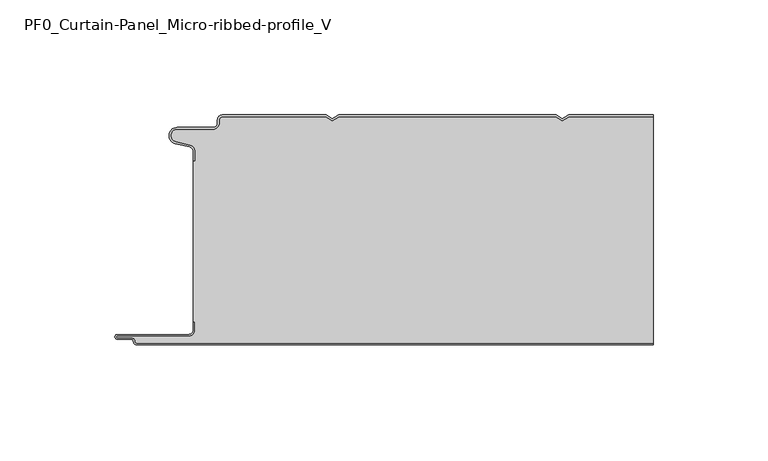
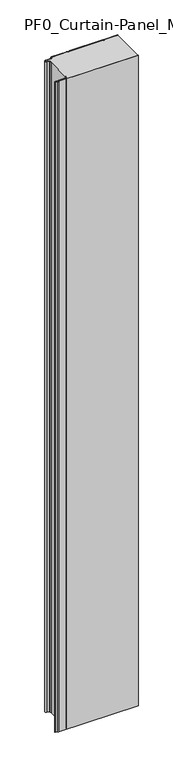
"""IFC4 building model written with IfcOpenShell, lengths in millimetres: plate geometry, PF0_Curtain-Panel_Micro-ribbed-profile_V."""

from ifc_helpers import new_model, si_unit, point, frame_2d, origin, origin_with_axes, place, context, project, spatial, polyline, circle_curve, trimmed, segment, composite_curve, outline, extrude, source, transform, mapped, element, save


def pf0_curtain_panel_micro_ribbed_profile_v_a883578a(model_context):
    return source(origin(), model_context, "Body", "SweptSolid", [
        extrude(outline(composite_curve([segment(trimmed(circle_curve(frame_2d((-102.0119739, -15.878557)), 2.0), [point((-100.0119739, -15.878557))], [point((-101.5620718, -13.9298169))], True, "CARTESIAN"), True, "CONTINUOUS"), segment(polyline([(-101.5620718, -13.9298169), (-107.7217978, -12.507732)]), True, "CONTINUOUS"), segment(trimmed(circle_curve(frame_2d((-106.9119739, -9.0)), 3.6), [point((-107.7217978, -12.507732))], [point((-106.9119739, -5.4))], False, "CARTESIAN"), True, "CONTINUOUS"), segment(polyline([(-106.9119739, -5.4), (-91.4119739, -5.4)]), True, "CONTINUOUS"), segment(trimmed(circle_curve(frame_2d((-91.4119739, -3.4)), 2.0), [point((-91.4119739, -5.4))], [point((-89.4119739, -3.4))], True, "CARTESIAN"), True, "CONTINUOUS"), segment(polyline([(-89.4119739, -3.4), (-89.4119739, -2.0)]), True, "CONTINUOUS"), segment(trimmed(circle_curve(frame_2d((-87.4119739, -2.0)), 2.0), [point((-89.4119739, -2.0))], [point((-87.4119739, 0.0))], False, "CARTESIAN"), True, "CONTINUOUS"), segment(polyline([(-87.4119739, 0.0), (-42.1119734, 0.0), (-39.4119739, -1.5588455), (-36.7119745, 0.0), (57.8880266, 0.0), (60.5880261, -1.5588455), (63.2880255, 0.0), (100.0119739, 0.0), (100.0119739, -0.8), (63.5023849, -0.8), (60.5880261, -2.482606), (57.6736672, -0.8), (-36.4976151, -0.8), (-39.4119739, -2.482606), (-42.3263328, -0.8), (-87.4119739, -0.8)]), True, "CONTINUOUS"), segment(trimmed(circle_curve(frame_2d((-87.4119739, -2.0)), 1.2), [point((-87.4119739, -0.8))], [point((-88.6119739, -2.0))], True, "CARTESIAN"), True, "CONTINUOUS"), segment(polyline([(-88.6119739, -2.0), (-88.6119739, -3.4)]), True, "CONTINUOUS"), segment(trimmed(circle_curve(frame_2d((-91.4119739, -3.4)), 2.8), [point((-88.6119739, -3.4))], [point((-91.4119739, -6.2))], False, "CARTESIAN"), True, "CONTINUOUS"), segment(polyline([(-91.4119739, -6.2), (-106.9119739, -6.2)]), True, "CONTINUOUS"), segment(trimmed(circle_curve(frame_2d((-106.9119739, -9.0)), 2.8), [point((-106.9119739, -6.2))], [point((-107.541837, -11.7282362))], True, "CARTESIAN"), True, "CONTINUOUS"), segment(polyline([(-107.541837, -11.7282362), (-101.3821109, -13.150321)]), True, "CONTINUOUS"), segment(trimmed(circle_curve(frame_2d((-102.0119739, -15.878557)), 2.8), [point((-101.3821109, -13.150321))], [point((-99.2119739, -15.878557))], False, "CARTESIAN"), True, "CONTINUOUS"), segment(polyline([(-99.2119739, -15.878557), (-99.2119739, -20.0), (-100.0119739, -20.0), (-100.0119739, -15.878557)]), True, "CONTINUOUS")], self_intersect=False)), origin_with_axes(), (0.0, 0.0, 1.0), 1945.7507136),
        extrude(outline(composite_curve([segment(polyline([(-99.2119739, -90.0), (-100.0119739, -90.0), (-100.0119739, -20.0), (-99.2119739, -20.0), (-99.2119739, -15.878557)]), True, "CONTINUOUS"), segment(trimmed(circle_curve(frame_2d((-102.0119739, -15.878557)), 2.8), [point((-99.2119739, -15.878557))], [point((-101.3821109, -13.1503208))], True, "CARTESIAN"), True, "CONTINUOUS"), segment(polyline([(-101.3821109, -13.1503208), (-107.5418369, -11.7282362)]), True, "CONTINUOUS"), segment(trimmed(circle_curve(frame_2d((-106.9119739, -9.0)), 2.8), [point((-107.5418369, -11.7282362))], [point((-106.9119739, -6.2))], False, "CARTESIAN"), True, "CONTINUOUS"), segment(polyline([(-106.9119739, -6.2), (-91.4119739, -6.2)]), True, "CONTINUOUS"), segment(trimmed(circle_curve(frame_2d((-91.4119739, -3.4)), 2.8), [point((-91.4119739, -6.2))], [point((-88.6119739, -3.4))], True, "CARTESIAN"), True, "CONTINUOUS"), segment(polyline([(-88.6119739, -3.4), (-88.6119739, -2.0)]), True, "CONTINUOUS"), segment(trimmed(circle_curve(frame_2d((-87.4119739, -2.0)), 1.2), [point((-88.6119739, -2.0))], [point((-87.4119739, -0.8))], False, "CARTESIAN"), True, "CONTINUOUS"), segment(polyline([(-87.4119739, -0.8), (-42.3263328, -0.8), (-39.4119739, -2.482606), (-36.4976151, -0.8), (57.6736672, -0.8), (60.5880261, -2.482606), (63.5023849, -0.8), (100.0119739, -0.8), (100.0119739, -99.2), (-124.4119739, -99.2)]), True, "CONTINUOUS"), segment(trimmed(circle_curve(frame_2d((-124.4119739, -98.4)), 0.8), [point((-124.4119739, -99.2))], [point((-125.2119739, -98.4))], False, "CARTESIAN"), True, "CONTINUOUS"), segment(trimmed(circle_curve(frame_2d((-126.9119739, -98.6133333)), 1.7133333), [point((-125.2119739, -98.4))], [point((-126.9119739, -96.9))], True, "CARTESIAN"), True, "CONTINUOUS"), segment(polyline([(-126.9119739, -96.9), (-132.8820051, -96.9)]), True, "CONTINUOUS"), segment(trimmed(circle_curve(frame_2d((-132.8820051, -96.6)), 0.3), [point((-132.8820051, -96.9))], [point((-132.8820051, -96.3))], False, "CARTESIAN"), True, "CONTINUOUS"), segment(polyline([(-132.8820051, -96.3), (-102.0119739, -96.3)]), True, "CONTINUOUS"), segment(trimmed(circle_curve(frame_2d((-102.0119739, -93.5)), 2.8), [point((-102.0119739, -96.3))], [point((-99.2119739, -93.5))], True, "CARTESIAN"), True, "CONTINUOUS"), segment(polyline([(-99.2119739, -93.5), (-99.2119739, -90.0)]), True, "CONTINUOUS")], self_intersect=False)), origin_with_axes(), (0.0, 0.0, 1.0), 1945.7507136),
        extrude(outline(composite_curve([segment(polyline([(-100.0119739, -90.0), (-99.2119739, -90.0), (-99.2119739, -93.5)]), True, "CONTINUOUS"), segment(trimmed(circle_curve(frame_2d((-102.0119739, -93.5)), 2.8), [point((-99.2119739, -93.5))], [point((-102.0119739, -96.3))], False, "CARTESIAN"), True, "CONTINUOUS"), segment(polyline([(-102.0119739, -96.3), (-132.8820051, -96.3)]), True, "CONTINUOUS"), segment(trimmed(circle_curve(frame_2d((-132.8820051, -96.6)), 0.3), [point((-132.8820051, -96.3))], [point((-132.8820051, -96.9))], True, "CARTESIAN"), True, "CONTINUOUS"), segment(polyline([(-132.8820051, -96.9), (-126.9119739, -96.9)]), True, "CONTINUOUS"), segment(trimmed(circle_curve(frame_2d((-126.9119739, -98.6133333)), 1.7133333), [point((-126.9119739, -96.9))], [point((-125.2119739, -98.4))], False, "CARTESIAN"), True, "CONTINUOUS"), segment(trimmed(circle_curve(frame_2d((-124.4119739, -98.4)), 0.8), [point((-125.2119739, -98.4))], [point((-124.4119739, -99.2))], True, "CARTESIAN"), True, "CONTINUOUS"), segment(polyline([(-124.4119739, -99.2), (100.0119739, -99.2), (100.0119739, -100.0), (-124.4119739, -100.0)]), True, "CONTINUOUS"), segment(trimmed(circle_curve(frame_2d((-124.4119739, -98.4)), 1.6), [point((-124.4119739, -100.0))], [point((-126.0119739, -98.4))], False, "CARTESIAN"), True, "CONTINUOUS"), segment(trimmed(circle_curve(frame_2d((-126.9119739, -98.4)), 0.9), [point((-126.0119739, -98.4))], [point((-126.9119739, -97.5))], True, "CARTESIAN"), True, "CONTINUOUS"), segment(polyline([(-126.9119739, -97.5), (-133.0119739, -97.5)]), True, "CONTINUOUS"), segment(trimmed(circle_curve(frame_2d((-133.0119739, -96.5)), 1.0), [point((-133.0119739, -97.5))], [point((-133.0119739, -95.5))], False, "CARTESIAN"), True, "CONTINUOUS"), segment(polyline([(-133.0119739, -95.5), (-102.0119739, -95.5)]), True, "CONTINUOUS"), segment(trimmed(circle_curve(frame_2d((-102.0119739, -93.5)), 2.0), [point((-102.0119739, -95.5))], [point((-100.0119739, -93.5))], True, "CARTESIAN"), True, "CONTINUOUS"), segment(polyline([(-100.0119739, -93.5), (-100.0119739, -90.0)]), True, "CONTINUOUS")], self_intersect=False)), origin_with_axes(), (0.0, 0.0, 1.0), 1945.7507136),
    ])


if __name__ == "__main__":
    model = new_model("IFC4")
    model_context = context("Model", 3, world=origin())
    ifc_project = project(units=[si_unit("LENGTHUNIT", "METRE", prefix="MILLI")], contexts=[model_context])
    site = spatial("IfcSite", under=ifc_project)
    building = spatial("IfcBuilding", under=site)
    placement = place(None, origin())
    pf0_curtain_panel_micro_ribbed_profile_v_shape = pf0_curtain_panel_micro_ribbed_profile_v_a883578a(model_context)
    element("IfcPlate", 1, ObjectType="PF0_Curtain-Panel_Micro-ribbed-profile_V", at=placement, inside=building, context=model_context, shape_type="MappedRepresentation", body=[
        mapped(pf0_curtain_panel_micro_ribbed_profile_v_shape, transform((0.0, 0.0, 0.0), x_axis=(1.0, 0.0, 0.0), y_axis=(0.0, 1.0, 0.0), z_axis=(0.0, 0.0, 1.0))),
    ])
    save(model, "model.ifc")
